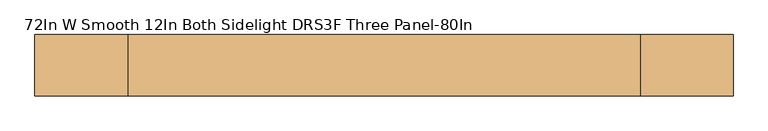
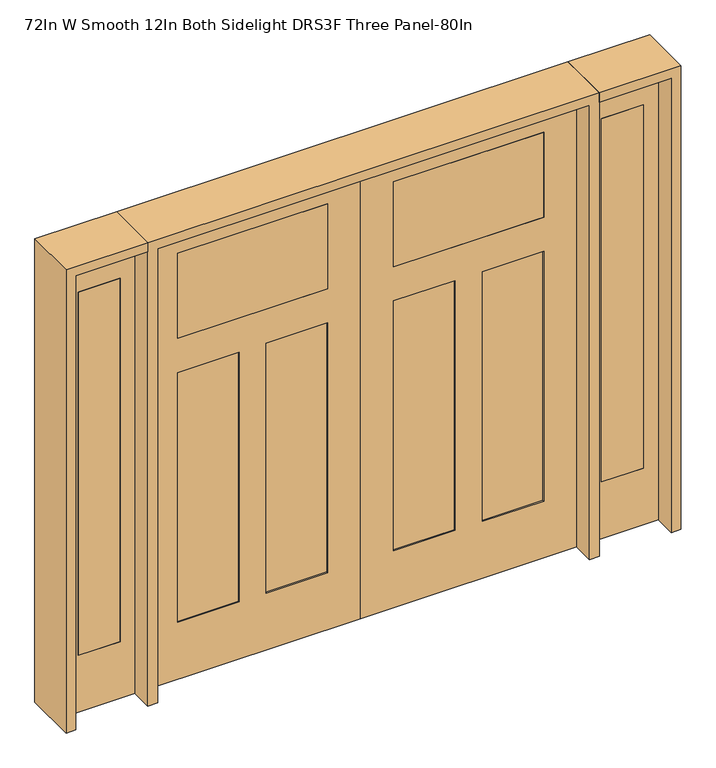
"""IFC4 building model written with IfcOpenShell, lengths in millimetres: door geometry, 72In W Smooth 12In Both Sidelight DRS3F Three Panel-80In."""

from ifc_helpers import new_model, si_unit, frame, origin, place, context, project, spatial, polyline, outline, extrude, faceted_brep, source, transform, mapped, element, save


def door_72in_w_smooth_12in_both_sidelight_drs3f_three_panel_7b44e556(model_context):
    return source(origin(), model_context, "Body", "SolidModel", [
        faceted_brep([(0.0, 20.6375, 0.0), (914.4, 20.6375, 0.0), (914.4, -20.6375, 0.0), (0.0, -20.6375, 0.0), (0.0, 20.6375, 2032.0), (0.0, -20.6375, 2032.0), (914.4, -20.6375, 2032.0), (774.7, -20.6375, 1905.0), (774.7, -20.6375, 1524.0), (139.7, -20.6375, 1524.0), (139.7, -20.6375, 1905.0), (774.7, -20.6375, 1371.6), (774.7, -20.6375, 254.0), (514.35, -20.6375, 254.0), (514.35, -20.6375, 1371.6), (400.05, -20.6375, 1371.6), (400.05, -20.6375, 254.0), (139.7, -20.6375, 254.0), (139.7, -20.6375, 1371.6), (914.4, 20.6375, 2032.0), (514.35, 20.6375, 1371.6), (514.35, 20.6375, 254.0), (774.7, 20.6375, 254.0), (774.7, 20.6375, 1371.6), (139.7, 20.6375, 1371.6), (139.7, 20.6375, 254.0), (400.05, 20.6375, 254.0), (400.05, 20.6375, 1371.6), (139.7, 20.6375, 1905.0), (139.7, 20.6375, 1524.0), (774.7, 20.6375, 1524.0), (774.7, 20.6375, 1905.0), (774.7, 14.2875, 1371.6), (774.7, 14.2875, 254.0), (514.35, 14.2875, 254.0), (514.35, 14.2875, 1371.6), (400.05, 14.2875, 1371.6), (400.05, 14.2875, 254.0), (139.7, 14.2875, 254.0), (139.7, 14.2875, 1371.6), (514.35, -14.2875, 1371.6), (514.35, -14.2875, 254.0), (774.7, -14.2875, 254.0), (774.7, -14.2875, 1371.6), (139.7, -14.2875, 1371.6), (139.7, -14.2875, 254.0), (400.05, -14.2875, 254.0), (400.05, -14.2875, 1371.6)], [[[0, 1, 2, 3]], [[4, 0, 3, 5]], [[5, 3, 2, 6], [7, 8, 9, 10], [11, 12, 13, 14], [15, 16, 17, 18]], [[6, 2, 1, 19]], [[19, 1, 0, 4], [20, 21, 22, 23], [24, 25, 26, 27], [28, 29, 30, 31]], [[4, 5, 6, 19]], [[32, 23, 22, 33]], [[33, 22, 21, 34]], [[34, 21, 20, 35]], [[36, 27, 26, 37]], [[37, 26, 25, 38]], [[38, 25, 24, 39]], [[40, 14, 13, 41]], [[41, 13, 12, 42]], [[42, 12, 11, 43]], [[44, 18, 17, 45]], [[45, 17, 16, 46]], [[46, 16, 15, 47]], [[40, 41, 42, 43]], [[44, 45, 46, 47]], [[35, 32, 33, 34]], [[39, 36, 37, 38]], [[7, 10, 28, 31]], [[31, 30, 8, 7]], [[30, 29, 9, 8]], [[10, 9, 29, 28]], [[43, 11, 14, 40]], [[47, 15, 18, 44]], [[35, 20, 23, 32]], [[39, 24, 27, 36]]]),
        extrude(outline(polyline([(139.7, -20.6375), (139.7, 20.6375), (774.7, 20.6375), (774.7, -20.6375), (139.7, -20.6375)])), frame((0.0, 0.0, 1524.0), z_axis=(0.0, 0.0, 1.0), x_axis=(1.0, 0.0, 0.0)), (0.0, 0.0, 1.0), 381.0),
        extrude(outline(polyline([(1019.175, -20.6375), (1019.175, 20.6375), (1196.975, 20.6375), (1196.975, -20.6375), (1019.175, -20.6375)])), frame((0.0, 0.0, 254.0), z_axis=(0.0, 0.0, 1.0), x_axis=(1.0, 0.0, 0.0)), (0.0, 0.0, 1.0), 1625.6),
        extrude(outline(polyline([(0.0, 1260.475), (2032.0, 1260.475), (2032.0, 955.675), (0.0, 955.675), (0.0, 1260.475)]), holes=[polyline([(1879.6, 1019.175), (1879.6, 1196.975), (254.0, 1196.975), (254.0, 1019.175), (1879.6, 1019.175)])]), frame((0.0, -20.6375, 0.0), z_axis=(0.0, 1.0, 0.0), x_axis=(0.0, 0.0, 1.0)), (0.0, 0.0, 1.0), 41.275),
        extrude(outline(polyline([(-1019.175, -20.6375), (-1196.975, -20.6375), (-1196.975, 20.6375), (-1019.175, 20.6375), (-1019.175, -20.6375)])), frame((0.0, 0.0, 254.0), z_axis=(0.0, 0.0, 1.0), x_axis=(1.0, 0.0, 0.0)), (0.0, 0.0, 1.0), 1625.6),
        extrude(outline(polyline([(0.0, -1260.475), (0.0, -955.675), (2032.0, -955.675), (2032.0, -1260.475), (0.0, -1260.475)]), holes=[polyline([(1879.6, -1019.175), (254.0, -1019.175), (254.0, -1196.975), (1879.6, -1196.975), (1879.6, -1019.175)])]), frame((0.0, -20.6375, 0.0), z_axis=(0.0, 1.0, 0.0), x_axis=(0.0, 0.0, 1.0)), (0.0, 0.0, 1.0), 41.275),
        faceted_brep([(0.0, 20.6375, 0.0), (0.0, -20.6375, 0.0), (-914.4, -20.6375, 0.0), (-914.4, 20.6375, 0.0), (0.0, 20.6375, 2032.0), (0.0, -20.6375, 2032.0), (-914.4, -20.6375, 2032.0), (-774.7, -20.6375, 1905.0), (-139.7, -20.6375, 1905.0), (-139.7, -20.6375, 1524.0), (-774.7, -20.6375, 1524.0), (-774.7, -20.6375, 1371.6), (-514.35, -20.6375, 1371.6), (-514.35, -20.6375, 254.0), (-774.7, -20.6375, 254.0), (-400.05, -20.6375, 1371.6), (-139.7, -20.6375, 1371.6), (-139.7, -20.6375, 254.0), (-400.05, -20.6375, 254.0), (-914.4, 20.6375, 2032.0), (-514.35, 20.6375, 1371.6), (-774.7, 20.6375, 1371.6), (-774.7, 20.6375, 254.0), (-514.35, 20.6375, 254.0), (-139.7, 20.6375, 1371.6), (-400.05, 20.6375, 1371.6), (-400.05, 20.6375, 254.0), (-139.7, 20.6375, 254.0), (-139.7, 20.6375, 1905.0), (-774.7, 20.6375, 1905.0), (-774.7, 20.6375, 1524.0), (-139.7, 20.6375, 1524.0), (-774.7, 14.2875, 1371.6), (-774.7, 14.2875, 254.0), (-514.35, 14.2875, 254.0), (-514.35, 14.2875, 1371.6), (-400.05, 14.2875, 1371.6), (-400.05, 14.2875, 254.0), (-139.7, 14.2875, 254.0), (-139.7, 14.2875, 1371.6), (-514.35, -14.2875, 1371.6), (-514.35, -14.2875, 254.0), (-774.7, -14.2875, 254.0), (-774.7, -14.2875, 1371.6), (-139.7, -14.2875, 1371.6), (-139.7, -14.2875, 254.0), (-400.05, -14.2875, 254.0), (-400.05, -14.2875, 1371.6)], [[[0, 1, 2, 3]], [[4, 5, 1, 0]], [[5, 6, 2, 1], [7, 8, 9, 10], [11, 12, 13, 14], [15, 16, 17, 18]], [[6, 19, 3, 2]], [[19, 4, 0, 3], [20, 21, 22, 23], [24, 25, 26, 27], [28, 29, 30, 31]], [[4, 19, 6, 5]], [[32, 33, 22, 21]], [[33, 34, 23, 22]], [[34, 35, 20, 23]], [[36, 37, 26, 25]], [[37, 38, 27, 26]], [[38, 39, 24, 27]], [[40, 41, 13, 12]], [[41, 42, 14, 13]], [[42, 43, 11, 14]], [[44, 45, 17, 16]], [[45, 46, 18, 17]], [[46, 47, 15, 18]], [[40, 43, 42, 41]], [[44, 47, 46, 45]], [[35, 34, 33, 32]], [[39, 38, 37, 36]], [[7, 29, 28, 8]], [[29, 7, 10, 30]], [[30, 10, 9, 31]], [[8, 28, 31, 9]], [[43, 40, 12, 11]], [[47, 44, 16, 15]], [[35, 32, 21, 20]], [[39, 36, 25, 24]]]),
        extrude(outline(polyline([(-139.7, -20.6375), (-774.7, -20.6375), (-774.7, 20.6375), (-139.7, 20.6375), (-139.7, -20.6375)])), frame((0.0, 0.0, 1524.0), z_axis=(0.0, 0.0, 1.0), x_axis=(1.0, 0.0, 0.0)), (0.0, 0.0, 1.0), 381.0),
        extrude(outline(polyline([(2032.0, -955.675), (2073.275, -955.675), (2073.275, -1301.75), (0.0, -1301.75), (0.0, -1260.475), (2032.0, -1260.475), (2032.0, -955.675)])), frame((0.0, -114.3, 0.0), z_axis=(0.0, 1.0, 0.0), x_axis=(0.0, 0.0, 1.0)), (0.0, 0.0, 1.0), 228.6),
        extrude(outline(polyline([(2073.275, -955.675), (0.0, -955.675), (0.0, -914.4), (2032.0, -914.4), (2032.0, 914.4), (0.0, 914.4), (0.0, 955.675), (2073.275, 955.675), (2073.275, -955.675)])), frame((0.0, -114.3, 0.0), z_axis=(0.0, 1.0, 0.0), x_axis=(0.0, 0.0, 1.0)), (0.0, 0.0, 1.0), 228.6),
        extrude(outline(polyline([(0.0, 1260.475), (0.0, 1301.75), (2073.275, 1301.75), (2073.275, 955.675), (2032.0, 955.675), (2032.0, 1260.475), (0.0, 1260.475)])), frame((0.0, -114.3, 0.0), z_axis=(0.0, 1.0, 0.0), x_axis=(0.0, 0.0, 1.0)), (0.0, 0.0, 1.0), 228.6),
    ])


if __name__ == "__main__":
    model = new_model("IFC4")
    model_context = context("Model", 3, world=origin())
    ifc_project = project(units=[si_unit("LENGTHUNIT", "METRE", prefix="MILLI")], contexts=[model_context])
    site = spatial("IfcSite", under=ifc_project)
    building = spatial("IfcBuilding", under=site)
    placement = place(None, origin())
    door_72in_w_smooth_12in_both_sidelight_drs3f_three_panel_shape = door_72in_w_smooth_12in_both_sidelight_drs3f_three_panel_7b44e556(model_context)
    element("IfcDoor", 1, ObjectType="72In W Smooth 12In Both Sidelight DRS3F Three Panel-80In", at=placement, inside=building, context=model_context, shape_type="MappedRepresentation", body=[
        mapped(door_72in_w_smooth_12in_both_sidelight_drs3f_three_panel_shape, transform((0.0, 0.0, 0.0), x_axis=(1.0, 0.0, 0.0), y_axis=(0.0, 1.0, 0.0), z_axis=(0.0, 0.0, 1.0))),
    ])
    save(model, "model.ifc")
